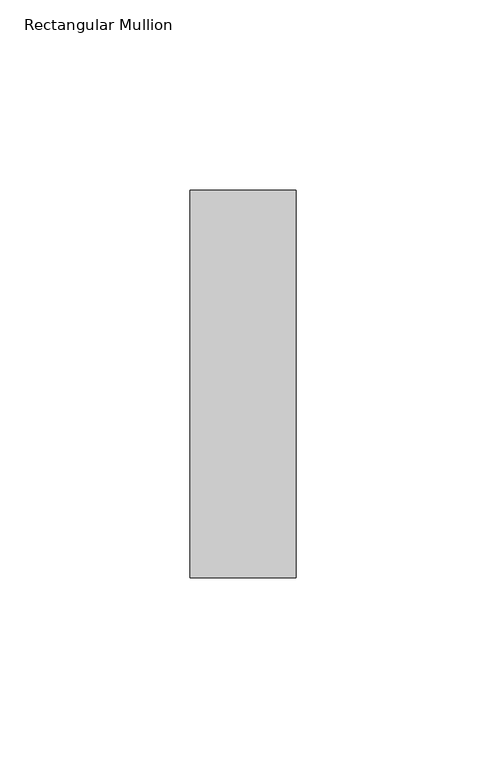
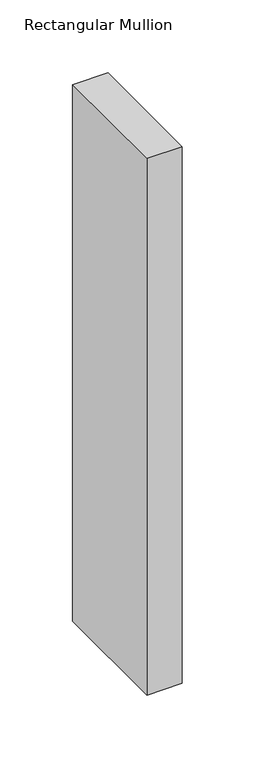
"""IFC4 building model written with IfcOpenShell, lengths in millimetres: member geometry, Rectangular Mullion."""

import ifcopenshell
import ifcopenshell.guid

model = None  # the IFC model being written
_history = None  # IfcOwnerHistory: only IFC2X3 demands one
_inside = {}  # id of a spatial element -> (the spatial element, [elements in it])
_under = {}  # id of a project, library or spatial element -> (it, [spatial elements below it])
_declared = {}  # id of a project -> (the project, [libraries it declares])
_typed = {}  # id of a type object -> (the type object, [elements of that type])
_made_of = {}  # id of a material, layer set ... -> (it, [elements and type objects made of it])


def new_model(schema):
    """Start an empty IFC model of exactly this schema.

    Asked for "IFC4X3", IfcOpenShell would pick the latest addendum, in which some entities
    have other attributes; the version numbers below select the first issue.
    IFC2X3 requires an IfcOwnerHistory on every rooted entity: one is made here for all.
    """
    global model, _history
    if schema == "IFC4X3":
        model = ifcopenshell.file(schema_version=(4, 3, 0, 0))
    else:
        model = ifcopenshell.file(schema=schema)
    _inside.clear()
    _under.clear()
    _declared.clear()
    _typed.clear()
    _made_of.clear()
    _history = None
    if model.schema == "IFC2X3":
        org = make("IfcOrganization", Name="unknown")
        user = make(
            "IfcPersonAndOrganization",
            ThePerson=make("IfcPerson", FamilyName="unknown"),
            TheOrganization=org,
        )
        app = make(
            "IfcApplication",
            ApplicationDeveloper=org,
            Version="unknown",
            ApplicationFullName="unknown",
            ApplicationIdentifier="unknown",
        )
        _history = make(
            "IfcOwnerHistory",
            OwningUser=user,
            OwningApplication=app,
            ChangeAction="ADDED",
            CreationDate=0,
        )
    return model


def make(cls, **values):
    """One entity of the class cls with the attributes given. An attribute that is None is left unset."""
    return model.create_entity(
        cls, **{name: value for name, value in values.items() if value is not None}
    )


def rooted(cls, **values):
    """An entity with a GlobalId (a new one), such as an element, a storey or a relation."""
    return make(cls, GlobalId=ifcopenshell.guid.new(), OwnerHistory=_history, **values)


def si_unit(unit_type, name, prefix=None):
    """IfcSIUnit, for example si_unit("LENGTHUNIT", "METRE", prefix="MILLI")."""
    return make("IfcSIUnit", UnitType=unit_type, Prefix=prefix, Name=name)


def assignment(units):
    """IfcUnitAssignment: the units of a project."""
    return None if units is None else make("IfcUnitAssignment", Units=units)


def point(xyz):
    """IfcCartesianPoint."""
    return None if xyz is None else make("IfcCartesianPoint", Coordinates=xyz)


def direction(xyz):
    """IfcDirection."""
    return None if xyz is None else make("IfcDirection", DirectionRatios=xyz)


def frame(location, z_axis=None, x_axis=None):
    """IfcAxis2Placement3D, a coordinate frame: its origin and axes. An axis left out is left unset."""
    return make(
        "IfcAxis2Placement3D",
        Location=point(location),
        Axis=direction(z_axis),
        RefDirection=direction(x_axis),
    )


def origin():
    """The frame at (0, 0, 0) with its axes left unset."""
    return frame((0.0, 0.0, 0.0))


def place(relative_to, where):
    """IfcLocalPlacement: puts the frame where relative to a parent placement (None: the world)."""
    return make(
        "IfcLocalPlacement", PlacementRelTo=relative_to, RelativePlacement=where
    )


def context(
    kind, dimensions, precision=None, world=None, true_north=None, identifier=None
):
    """IfcGeometricRepresentationContext, for example the 3D "Model" context."""
    return make(
        "IfcGeometricRepresentationContext",
        ContextIdentifier=identifier,
        ContextType=kind,
        CoordinateSpaceDimension=dimensions,
        Precision=precision,
        WorldCoordinateSystem=world,
        TrueNorth=true_north,
    )


def project(units=None, contexts=None):
    """IfcProject with its units and contexts."""
    return rooted(
        "IfcProject",
        Name="project",
        RepresentationContexts=contexts,
        UnitsInContext=assignment(units),
    )


def spatial(cls, under=None, at=None, **own):
    """A site, building, storey or space (cls), placed at a placement, below another one or the project."""
    s = rooted(cls, ObjectPlacement=at, **own)
    if under is not None:
        _under.setdefault(under.id(), (under, []))[1].append(s)
    return s


def polyline(points):
    """IfcPolyline through the points."""
    return make("IfcPolyline", Points=[point(p) for p in points])


def outline(outer, holes=None, kind="AREA"):
    """IfcArbitraryClosedProfileDef: a profile drawn as a closed curve; with holes, ...WithVoids."""
    if holes is None:
        return make("IfcArbitraryClosedProfileDef", ProfileType=kind, OuterCurve=outer)
    return make(
        "IfcArbitraryProfileDefWithVoids",
        ProfileType=kind,
        OuterCurve=outer,
        InnerCurves=holes,
    )


def extrude(swept, where, along, depth):
    """IfcExtrudedAreaSolid: the profile swept, set in the frame where, extruded along a direction by depth."""
    return make(
        "IfcExtrudedAreaSolid",
        SweptArea=swept,
        Position=where,
        ExtrudedDirection=direction(along),
        Depth=depth,
    )


def shape(context_of_items, identifier, shape_type, items):
    """IfcShapeRepresentation: the items that make up one representation, for example the "Body"."""
    return make(
        "IfcShapeRepresentation",
        ContextOfItems=context_of_items,
        RepresentationIdentifier=identifier,
        RepresentationType=shape_type,
        Items=items,
    )


def source(mapping_origin, context_of_items, identifier, shape_type, items):
    """IfcRepresentationMap: a shape defined once, which mapped items show again and again."""
    return make(
        "IfcRepresentationMap",
        MappingOrigin=mapping_origin,
        MappedRepresentation=shape(context_of_items, identifier, shape_type, items),
    )


def transform(
    local_origin,
    x_axis=None,
    y_axis=None,
    z_axis=None,
    scale=None,
    scale2=None,
    scale3=None,
    uniform=True,
):
    """IfcCartesianTransformationOperator3D, or its non-uniform kind. x_axis, y_axis, z_axis: its Axis1, 2, 3."""
    if uniform:
        return make(
            "IfcCartesianTransformationOperator3D",
            Axis1=direction(x_axis),
            Axis2=direction(y_axis),
            LocalOrigin=point(local_origin),
            Scale=scale,
            Axis3=direction(z_axis),
        )
    return make(
        "IfcCartesianTransformationOperator3DnonUniform",
        Axis1=direction(x_axis),
        Axis2=direction(y_axis),
        LocalOrigin=point(local_origin),
        Scale=scale,
        Axis3=direction(z_axis),
        Scale2=scale2,
        Scale3=scale3,
    )


def mapped(mapping_source, mapping_target):
    """IfcMappedItem: shows the shape of a source again, moved by a transform."""
    return make(
        "IfcMappedItem", MappingSource=mapping_source, MappingTarget=mapping_target
    )


def made_of(thing, what):
    """Note that an element or type object is made of a material, layer set ...; save() writes the relation."""
    if what is not None:
        _made_of.setdefault(what.id(), (what, []))[1].append(thing)
    return thing


def element(
    cls,
    number,
    at=None,
    inside=None,
    cuts=None,
    type_object=None,
    material=None,
    context=None,
    identifier="Body",
    shape_type=None,
    held_by="IfcProductDefinitionShape",
    body=None,
    shapes=None,
    **own,
):
    """One element of the class cls, such as IfcWall. Its Tag is "e" and its number.

    at: its placement. inside: the storey or other place that contains it. cuts: it is an
    opening in that element (IfcRelVoidsElement). A single representation is given by context,
    identifier, shape_type and body (its items); several are given by shapes. held_by: the class
    of the entity that holds the representations. save() writes the other relations.
    """
    e = rooted(cls, Tag="e%d" % number, ObjectPlacement=at, **own)
    if body is not None:
        shapes = [shape(context, identifier, shape_type, body)]
    if shapes is not None:
        e.Representation = make(held_by, Representations=shapes)
    if inside is not None:
        _inside.setdefault(inside.id(), (inside, []))[1].append(e)
    if cuts is not None:
        rooted(
            "IfcRelVoidsElement", RelatingBuildingElement=cuts, RelatedOpeningElement=e
        )
    if type_object is not None:
        _typed.setdefault(type_object.id(), (type_object, []))[1].append(e)
    return made_of(e, material)


def aggregate(whole, parts):
    """IfcRelAggregates: a whole, such as a stair, and the parts it consists of."""
    return rooted("IfcRelAggregates", RelatingObject=whole, RelatedObjects=parts)


def save(model, path):
    """Write the relations noted so far, then the file.

    IfcRelAggregates (storeys below a building ...), IfcRelContainedInSpatialStructure (elements
    in a storey), IfcRelDefinesByType, IfcRelAssociatesMaterial and IfcRelDeclares: one each for
    every whole, place, type object, material and project.
    """
    for whole, parts in _under.values():
        aggregate(whole, parts)
    for where, things in _inside.values():
        rooted(
            "IfcRelContainedInSpatialStructure",
            RelatedElements=things,
            RelatingStructure=where,
        )
    for kind, things in _typed.values():
        rooted("IfcRelDefinesByType", RelatedObjects=things, RelatingType=kind)
    for what, things in _made_of.values():
        rooted("IfcRelAssociatesMaterial", RelatedObjects=things, RelatingMaterial=what)
    for by, libraries in _declared.values():
        rooted("IfcRelDeclares", RelatingContext=by, RelatedDefinitions=libraries)
    model.write(path)


def rectangular_mullion_746c01c1(model_context):
    return source(origin(), model_context, "Body", "SweptSolid", [
        extrude(outline(polyline([(0.0, -51.0), (-28.0, -51.0), (-28.0, 51.0), (0.0, 51.0), (0.0, -51.0)])), frame((0.0, 0.0, -450.0), z_axis=(0.0, 0.0, 1.0), x_axis=(1.0, 0.0, 0.0)), (0.0, 0.0, 1.0), 450.0),
    ])


if __name__ == "__main__":
    model = new_model("IFC4")
    model_context = context("Model", 3, world=origin())
    ifc_project = project(units=[si_unit("LENGTHUNIT", "METRE", prefix="MILLI")], contexts=[model_context])
    site = spatial("IfcSite", under=ifc_project)
    building = spatial("IfcBuilding", under=site)
    placement = place(None, origin())
    rectangular_mullion_shape = rectangular_mullion_746c01c1(model_context)
    element("IfcMember", 1, ObjectType="Rectangular Mullion", at=placement, inside=building, context=model_context, shape_type="MappedRepresentation", body=[
        mapped(rectangular_mullion_shape, transform((0.0, 0.0, 0.0), x_axis=(1.0, 0.0, 0.0), y_axis=(0.0, 1.0, 0.0), z_axis=(0.0, 0.0, 1.0))),
    ])
    save(model, "model.ifc")
